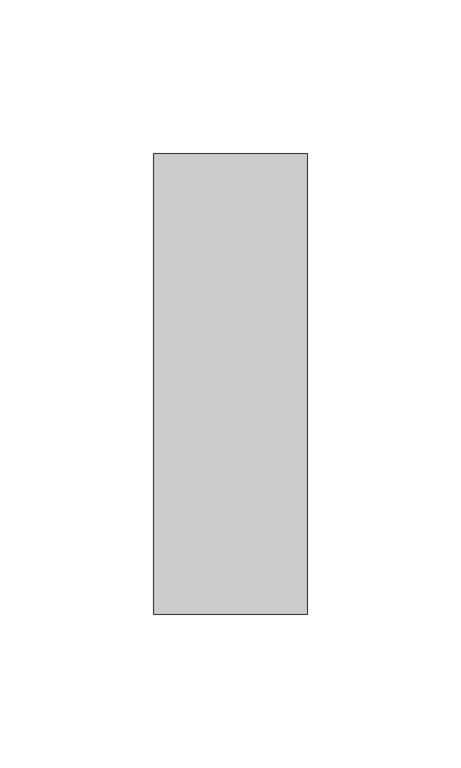
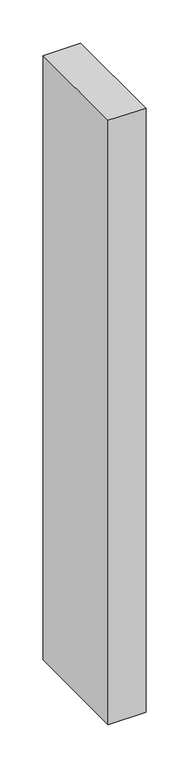
"""IFC4 building model written with IfcOpenShell, lengths in millimetres: member geometry."""

from ifc_helpers import new_model, si_unit, frame, origin, place, context, project, spatial, polyline, outline, extrude, source, transform, mapped, element, save


def member_324a6438(model_context):
    return source(origin(), model_context, "Body", "SweptSolid", [
        extrude(outline(polyline([(0.0, 75.0), (0.0, -75.0), (-50.0, -75.0), (-50.0, 75.0), (0.0, 75.0)])), frame((0.0, 0.0, -850.0), z_axis=(0.0, 0.0, 1.0), x_axis=(1.0, 0.0, 0.0)), (0.0, 0.0, 1.0), 850.0),
    ])


if __name__ == "__main__":
    model = new_model("IFC4")
    model_context = context("Model", 3, world=origin())
    ifc_project = project(units=[si_unit("LENGTHUNIT", "METRE", prefix="MILLI")], contexts=[model_context])
    site = spatial("IfcSite", under=ifc_project)
    building = spatial("IfcBuilding", under=site)
    placement = place(None, origin())
    member_shape = member_324a6438(model_context)
    element("IfcMember", 1, at=placement, inside=building, context=model_context, shape_type="MappedRepresentation", body=[
        mapped(member_shape, transform((0.0, 0.0, 0.0), x_axis=(1.0, 0.0, 0.0), y_axis=(0.0, 1.0, 0.0), z_axis=(0.0, 0.0, 1.0))),
    ])
    save(model, "model.ifc")
